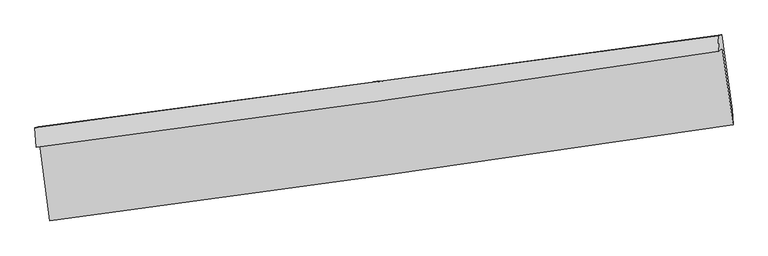
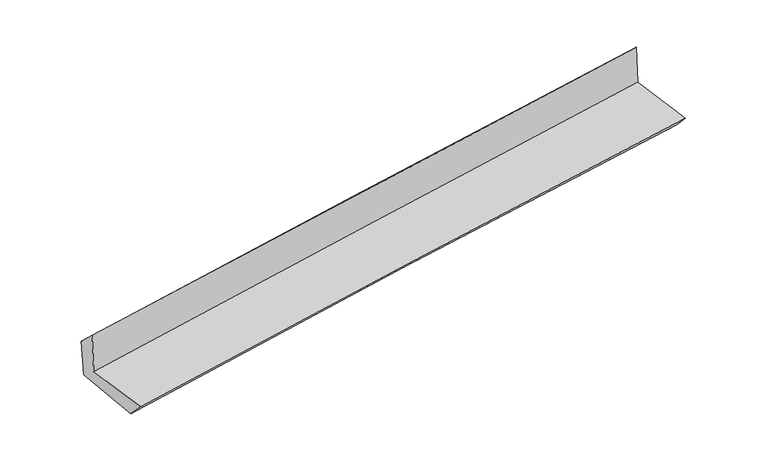
"""IFC4 building model written with IfcOpenShell, lengths in millimetres: proxy geometry."""

from ifc_helpers import new_model, si_unit, frame, origin, place, context, project, spatial, source, transform, mapped, element, save
from ifc_brep_helpers import plane_surface, spline_curve, spline_surface, advanced_brep


def generic_models_bb9452df(model_context):
    return source(origin(), model_context, "Body", "AdvancedBrep", [
        advanced_brep(
        [(-2990.1236837, -1906.7509012, 1654.962283), (-2899.863475, -2571.9372396, 1651.1622233), (3035.8104438, -1737.6798601, 2125.003092), (2942.7865633, -1073.4840722, 2139.5502851), (-3020.7988687, -1933.9372955, 2064.3886921), (2913.0589554, -1099.8306605, 2536.3292382), (-3030.2963673, -1762.3250559, 1901.0216931), (2905.3043135, -962.8257242, 2403.3775577), (-3000.2477355, -1756.1448043, 1532.9161143), (2936.2061996, -956.4737608, 2025.4956454), (-2907.833885, -2411.0645098, 1486.9016117), (3029.6163582, -1604.7801012, 1980.2420257)],
        [
            (0, 1),
            (1, 2, spline_curve(3, [(-2899.863475, -2571.9372396, 1651.1622233), (-1910.901779361, -2442.176246479, 1749.161489843), (-921.812343273, -2307.778934088, 1837.645989851), (1056.745597609, -2029.694299365, 1995.595323735), (2046.214134748, -1886.005818747, 2065.057779742), (3035.8104438, -1737.6798601, 2125.003092)], [4, 2, 4], [0.0, 9.861614107626448, 19.72446028885036])),
            (2, 3),
            (3, 0, spline_curve(3, [(2942.7865633, -1073.4840722, 2139.5502851), (1954.354534966, -1224.712685546, 2074.15645815), (965.698436949, -1369.769846605, 2001.074208419), (-1011.938368351, -1647.523914496, 1839.54295331), (-2000.919018928, -1780.222363072, 1751.09586923), (-2990.1236837, -1906.7509012, 1654.962283)], [4, 2, 4], [0.0, 9.862846181223912, 19.72446028885036])),
            (4, 0),
            (3, 5),
            (5, 4, spline_curve(3, [(2913.0589554, -1099.8306605, 2536.3292382), (1924.853856483, -1250.858153979, 2467.906548761), (936.232241387, -1395.884753771, 2394.364048899), (-1041.720470857, -1673.918799641, 2237.049254451), (-2031.051463623, -1806.927744807, 2153.278239142), (-3020.7988687, -1933.9372955, 2064.3886921)], [4, 2, 4], [0.0, 9.86111181559574, 19.720991774252173])),
            (6, 4),
            (5, 7),
            (7, 6, spline_curve(3, [(2905.3043135, -962.8257242, 2403.3775577), (1915.535478689, -1097.977664171, 2328.333359651), (925.986788289, -1232.182680728, 2248.945385698), (-1052.54671728, -1498.682221578, 2081.492345731), (-2041.531586987, -1630.976981819, 1993.428364921), (-3030.2963673, -1762.3250559, 1901.0216931)], [4, 2, 4], [0.0, 9.860444116238334, 19.71965645894683])),
            (8, 6),
            (7, 9),
            (9, 8, spline_curve(3, [(2936.2061996, -956.4737608, 2025.4956454), (1946.024492385, -1091.710011297, 1955.39831391), (956.198265222, -1225.971491693, 1879.298415071), (-1022.619624648, -1492.528262638, 1715.103738426), (-2011.61137563, -1624.823796799, 1627.010460228), (-3000.2477355, -1756.1448043, 1532.9161143)], [4, 2, 4], [0.0, 9.860127915589649, 19.719024097149465])),
            (10, 8),
            (9, 11),
            (11, 10, spline_curve(3, [(3029.6163582, -1604.7801012, 1980.2420257), (2039.073615912, -1739.540704017, 1910.078965535), (1048.983846003, -1874.115558253, 1833.88278942), (-930.166121687, -2142.876981166, 1669.43447752), (-1919.22643303, -2277.063596623, 1581.183849088), (-2907.833885, -2411.0645098, 1486.9016117)], [4, 2, 4], [0.0, 9.86181077384001, 19.722389603426365])),
            (1, 10),
            (11, 2),
        ],
        [
            spline_surface(3, 3, [[(-2990.1236837, -1906.7509012, 1654.962283), (-2000.919018921, -1780.222363065, 1751.095869168), (-1011.938368194, -1647.523914501, 1839.542953466), (965.698436792, -1369.7698466, 2001.074208262), (1954.354535049, -1224.712685542, 2074.156458004), (2942.7865633, -1073.4840722, 2139.5502851)], [(-2960.036947479, -2128.479680661, 1653.695596427), (-1970.913272365, -2000.873657577, 1750.45107601), (-981.896359928, -1867.608921035, 1838.910632247), (996.047490406, -1589.744664236, 1999.247913394), (1984.9744016, -1445.143730001, 2071.123565258), (2973.794523462, -1294.882668195, 2134.701220715)], [(-2929.950211221, -2350.208460139, 1652.428909873), (-1940.907525771, -2221.524952105, 1749.806282871), (-951.854351613, -2087.693927489, 1838.278311089), (1026.396544068, -1809.719481793, 1997.421618585), (2015.594268164, -1665.574774375, 2068.090672569), (3004.802483638, -1516.281264105, 2129.852156385)], [(-2899.863475, -2571.9372396, 1651.1622233), (-1910.901779214, -2442.176246617, 1749.161489713), (-921.812343347, -2307.778934023, 1837.64598987), (1056.745597682, -2029.694299429, 1995.595323716), (2046.214134715, -1886.005818834, 2065.057779822), (3035.8104438, -1737.6798601, 2125.003092)]], [4, 4], [4, 2, 4], [0.0, 2.1859800108451877], [0.0, 9.861614107626448, 19.72446028885036]),
            spline_surface(3, 3, [[(-3020.7988687, -1933.9372955, 2064.3886921), (-2031.051463546, -1806.927744655, 2153.278239053), (-1041.720470769, -1673.918799616, 2237.049254463), (936.232241299, -1395.884753796, 2394.364048888), (1924.853856599, -1250.858153832, 2467.90654885), (2913.0589554, -1099.8306605, 2536.3292382)], [(-3010.573807034, -1924.875164062, 1927.913222411), (-2021.007315338, -1798.025950787, 2019.217449103), (-1031.793103236, -1665.120504569, 2104.547154131), (946.054306472, -1387.179784721, 2263.267435346), (1934.687416112, -1242.142997706, 2336.656518579), (2922.968158063, -1091.048464371, 2404.069587177)], [(-3000.348745366, -1915.813032638, 1791.437752689), (-2010.963167129, -1789.124156933, 1885.156659119), (-1021.865735727, -1656.322209548, 1972.045053798), (955.87637162, -1378.474815674, 2132.170821804), (1944.520975536, -1233.427841667, 2205.406488276), (2932.877360637, -1082.266268329, 2271.809936123)], [(-2990.1236837, -1906.7509012, 1654.962283), (-2000.919018921, -1780.222363065, 1751.095869168), (-1011.938368194, -1647.523914501, 1839.542953466), (965.698436792, -1369.7698466, 2001.074208262), (1954.354535049, -1224.712685542, 2074.156458004), (2942.7865633, -1073.4840722, 2139.5502851)]], [4, 4], [4, 2, 4], [0.0, 1.3037214547894918], [0.0, 9.859879958656434, 19.720991774252173]),
            spline_surface(3, 3, [[(-3030.2963673, -1762.3250559, 1901.0216931), (-2041.531586825, -1630.976981975, 1993.428364788), (-1052.546717126, -1498.682221495, 2081.492345678), (925.986788135, -1232.182680811, 2248.94538575), (1915.535478719, -1097.977664091, 2328.33335969), (2905.3043135, -962.8257242, 2403.3775577)], [(-3027.130534439, -1819.529135778, 1955.477359445), (-2038.038212404, -1689.627236213, 2046.711656221), (-1048.937968335, -1557.094414192, 2133.344648626), (929.401939195, -1286.750038463, 2297.418273482), (1918.64160466, -1148.937827366, 2374.857756068), (2907.889194114, -1008.494036329, 2447.694784525)], [(-3023.964701561, -1876.733215622, 2009.933025755), (-2034.544837967, -1748.277490417, 2099.994947619), (-1045.32921956, -1615.506606919, 2185.196951516), (932.817090239, -1341.317396144, 2345.891161156), (1921.747730659, -1199.897990556, 2421.382152472), (2910.474074786, -1054.162348371, 2492.012011375)], [(-3020.7988687, -1933.9372955, 2064.3886921), (-2031.051463546, -1806.927744655, 2153.278239053), (-1041.720470769, -1673.918799616, 2237.049254463), (936.232241299, -1395.884753796, 2394.364048888), (1924.853856599, -1250.858153832, 2467.90654885), (2913.0589554, -1099.8306605, 2536.3292382)]], [4, 4], [4, 2, 4], [0.0, 0.7443747430631347], [0.0, 9.859212342708496, 19.71965645894683]),
            spline_surface(3, 3, [[(-3000.2477355, -1756.1448043, 1532.9161143), (-2011.611375503, -1624.823796674, 1627.010460317), (-1022.619624493, -1492.528262651, 1715.103738439), (956.198265066, -1225.971491681, 1879.298415058), (1946.024492422, -1091.710011189, 1955.39831399), (2936.2061996, -956.4737608, 2025.4956454)], [(-3010.26394608, -1758.204888177, 1655.617973887), (-2021.584779257, -1626.874858452, 1749.149761795), (-1032.595322046, -1494.579582271, 1837.233274188), (946.127772747, -1228.041888064, 2002.514071958), (1935.861487865, -1093.79922881, 2079.709995905), (2925.905570911, -958.59108192, 2151.456282849)], [(-3020.28015672, -1760.264972023, 1778.319833513), (-2031.55818307, -1628.925920197, 1871.28906331), (-1042.571019573, -1496.630901874, 1959.362809929), (936.057280454, -1230.112284429, 2125.72972885), (1925.698483276, -1095.88844647, 2204.021677775), (2915.604942189, -960.70840308, 2277.416920251)], [(-3030.2963673, -1762.3250559, 1901.0216931), (-2041.531586825, -1630.976981975, 1993.428364788), (-1052.546717126, -1498.682221495, 2081.492345678), (925.986788135, -1232.182680811, 2248.94538575), (1915.535478719, -1097.977664091, 2328.33335969), (2905.3043135, -962.8257242, 2403.3775577)]], [4, 4], [4, 2, 4], [0.0, 1.2116014693234314], [0.0, 9.858896181559816, 19.719024097149465]),
            spline_surface(3, 3, [[(-2907.833885, -2411.0645098, 1486.9016117), (-1919.226433157, -2277.063596622, 1581.183848959), (-930.1661218, -2142.876981271, 1669.43447752), (1048.983846116, -1874.115558148, 1833.88278942), (2039.073615799, -1739.540703955, 1910.078965515), (3029.6163582, -1604.7801012, 1980.2420257)], [(-2938.638501827, -2192.757941298, 1502.239779244), (-1950.021413932, -2059.650329971, 1596.459386089), (-960.983956017, -1926.094075082, 1684.657564491), (1018.055319113, -1658.06753601, 1849.021331297), (2008.057241333, -1523.5971397, 1925.185415003), (2998.47963866, -1388.677987734, 1995.326565596)], [(-2969.443118673, -1974.451372802, 1517.577946756), (-1980.816394727, -1842.237063326, 1611.734923187), (-991.801790276, -1709.31116884, 1699.880651469), (987.126792069, -1442.019513819, 1864.159873181), (1977.040866887, -1307.653575444, 1940.291864503), (2967.34291914, -1172.575874266, 2010.411105504)], [(-3000.2477355, -1756.1448043, 1532.9161143), (-2011.611375503, -1624.823796674, 1627.010460317), (-1022.619624493, -1492.528262651, 1715.103738439), (956.198265066, -1225.971491681, 1879.298415058), (1946.024492422, -1091.710011189, 1955.39831399), (2936.2061996, -956.4737608, 2025.4956454)]], [4, 4], [4, 2, 4], [0.0, 2.1568202428722794], [0.0, 9.860578829586355, 19.722389603426365]),
            spline_surface(3, 3, [[(-2899.863475, -2571.9372396, 1651.1622233), (-1910.901779214, -2442.176246617, 1749.161489713), (-921.812343347, -2307.778934023, 1837.64598987), (1056.745597682, -2029.694299429, 1995.595323716), (2046.214134715, -1886.005818834, 2065.057779822), (3035.8104438, -1737.6798601, 2125.003092)], [(-2902.520278341, -2518.312996324, 1596.408686086), (-1913.676663869, -2387.13869661, 1693.16894278), (-924.596936166, -2252.811616408, 1781.575485754), (1054.158347158, -1977.834718971, 1941.691145618), (2043.833961733, -1837.18411386, 2013.398175059), (3033.74574859, -1693.379940451, 2076.749403239)], [(-2905.177081659, -2464.688753076, 1541.655148914), (-1916.451548502, -2332.10114663, 1637.176395891), (-927.38152898, -2197.844298886, 1725.504981637), (1051.57109664, -1925.975138606, 1887.786967518), (2041.453788781, -1788.36240893, 1961.738570278), (3031.68105341, -1649.080020849, 2028.495714461)], [(-2907.833885, -2411.0645098, 1486.9016117), (-1919.226433157, -2277.063596622, 1581.183848959), (-930.1661218, -2142.876981271, 1669.43447752), (1048.983846116, -1874.115558148, 1833.88278942), (2039.073615799, -1739.540703955, 1910.078965515), (3029.6163582, -1604.7801012, 1980.2420257)]], [4, 4], [4, 2, 4], [0.0, 0.7549785359166739], [0.0, 9.862640355151747, 19.72651291211653]),
            plane_surface(frame((2960.4638056, -1239.1790298, 2201.6663073), z_axis=(0.9871636541627509, 0.136438807587269, 0.08302030886601887), x_axis=(-0.08149305980330034, -0.01675111120714294, 0.9965331311487952))),
            plane_surface(frame((-2974.8606692, -2057.0266344, 1715.2254363), z_axis=(-0.987574641985235, -0.13353224862519658, -0.0828581021073615), x_axis=(-0.13445725906581843, 0.9909032247144373, 0.005660806924549201))),
        ],
        [
            (0, [[1, 2, 3, 4]]),
            (1, [[5, -4, 6, 7]]),
            (2, [[8, -7, 9, 10]]),
            (3, [[11, -10, 12, 13]]),
            (4, [[14, -13, 15, 16]]),
            (5, [[17, -16, 18, -2]]),
            (6, [[-12, -9, -6, -3, -18, -15]]),
            (7, [[-1, -5, -8, -11, -14, -17]]),
        ],
    ),
    ])


if __name__ == "__main__":
    model = new_model("IFC4")
    model_context = context("Model", 3, world=origin())
    ifc_project = project(units=[si_unit("LENGTHUNIT", "METRE", prefix="MILLI")], contexts=[model_context])
    site = spatial("IfcSite", under=ifc_project)
    building = spatial("IfcBuilding", under=site)
    placement = place(None, origin())
    generic_models_shape = generic_models_bb9452df(model_context)
    element("IfcBuildingElementProxy", 1, Name="Generic Models", at=placement, inside=building, context=model_context, shape_type="MappedRepresentation", body=[
        mapped(generic_models_shape, transform((0.0, 0.0, 0.0), x_axis=(1.0, 0.0, 0.0), y_axis=(0.0, 1.0, 0.0), z_axis=(0.0, 0.0, 1.0))),
    ])
    save(model, "model.ifc")
